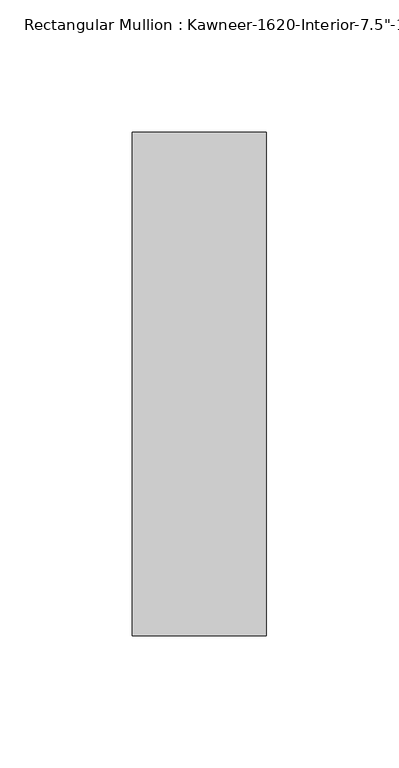
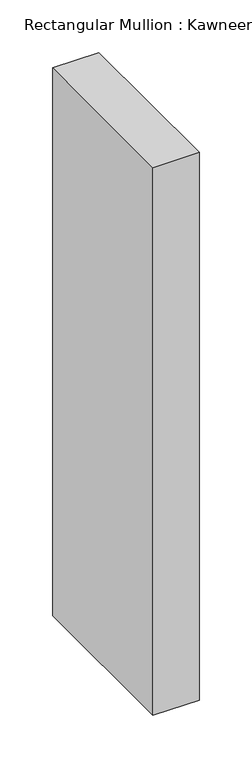
"""IFC4 building model written with IfcOpenShell, lengths in millimetres: member geometry."""

from ifc_helpers import new_model, si_unit, frame, origin, place, context, project, spatial, polyline, outline, extrude, source, transform, mapped, element, save


def member_b48b1f0c(model_context):
    return source(origin(), model_context, "Body", "SweptSolid", [
        extrude(outline(polyline([(25.4, -152.4), (-25.4, -152.4), (-25.4, 38.1), (25.4, 38.1), (25.4, -152.4)])), frame((0.0, 0.0, -635.0), z_axis=(0.0, 0.0, 1.0), x_axis=(1.0, 0.0, 0.0)), (0.0, 0.0, 1.0), 635.0),
    ])


if __name__ == "__main__":
    model = new_model("IFC4")
    model_context = context("Model", 3, world=origin())
    ifc_project = project(units=[si_unit("LENGTHUNIT", "METRE", prefix="MILLI")], contexts=[model_context])
    site = spatial("IfcSite", under=ifc_project)
    building = spatial("IfcBuilding", under=site)
    placement = place(None, origin())
    member_shape = member_b48b1f0c(model_context)
    element("IfcMember", 1, ObjectType="Rectangular Mullion : Kawneer-1620-Interior-7.5\"-1\"Infill", at=placement, inside=building, context=model_context, shape_type="MappedRepresentation", body=[
        mapped(member_shape, transform((0.0, 0.0, 0.0), x_axis=(1.0, 0.0, 0.0), y_axis=(0.0, 1.0, 0.0), z_axis=(0.0, 0.0, 1.0))),
    ])
    save(model, "model.ifc")
